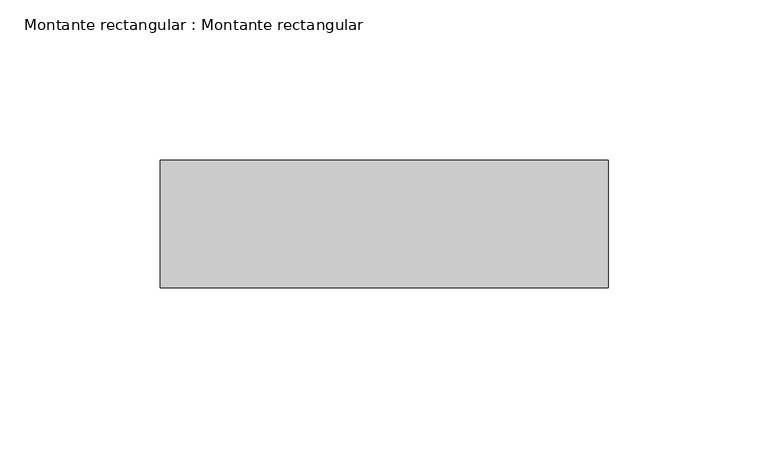
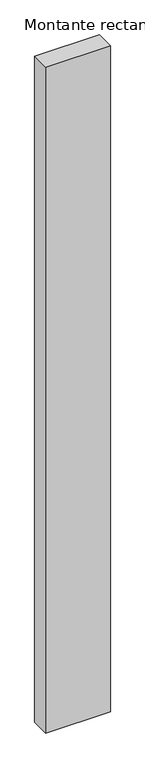
"""IFC4 building model written with IfcOpenShell, lengths in millimetres: member geometry, Montante rectangular : Montante rectangular."""

from ifc_helpers import new_model, si_unit, frame, origin, place, context, project, spatial, polyline, outline, extrude, source, transform, mapped, element, save


def montante_rectangular_montante_rectangular_6b6c4026(model_context):
    return source(origin(), model_context, "Body", "SweptSolid", [
        extrude(outline(polyline([(0.0, -4.614603), (0.0, -44.614603), (-140.0, -44.614603), (-140.0, -4.614603), (0.0, -4.614603)])), frame((0.0, 0.0, -1519.2228533), z_axis=(0.0, 0.0, 1.0), x_axis=(1.0, 0.0, 0.0)), (0.0, 0.0, 1.0), 1519.2228533),
    ])


if __name__ == "__main__":
    model = new_model("IFC4")
    model_context = context("Model", 3, world=origin())
    ifc_project = project(units=[si_unit("LENGTHUNIT", "METRE", prefix="MILLI")], contexts=[model_context])
    site = spatial("IfcSite", under=ifc_project)
    building = spatial("IfcBuilding", under=site)
    placement = place(None, origin())
    montante_rectangular_montante_rectangular_shape = montante_rectangular_montante_rectangular_6b6c4026(model_context)
    element("IfcMember", 1, ObjectType="Montante rectangular : Montante rectangular", at=placement, inside=building, context=model_context, shape_type="MappedRepresentation", body=[
        mapped(montante_rectangular_montante_rectangular_shape, transform((0.0, 0.0, 0.0), x_axis=(1.0, 0.0, 0.0), y_axis=(0.0, 1.0, 0.0), z_axis=(0.0, 0.0, 1.0))),
    ])
    save(model, "model.ifc")
